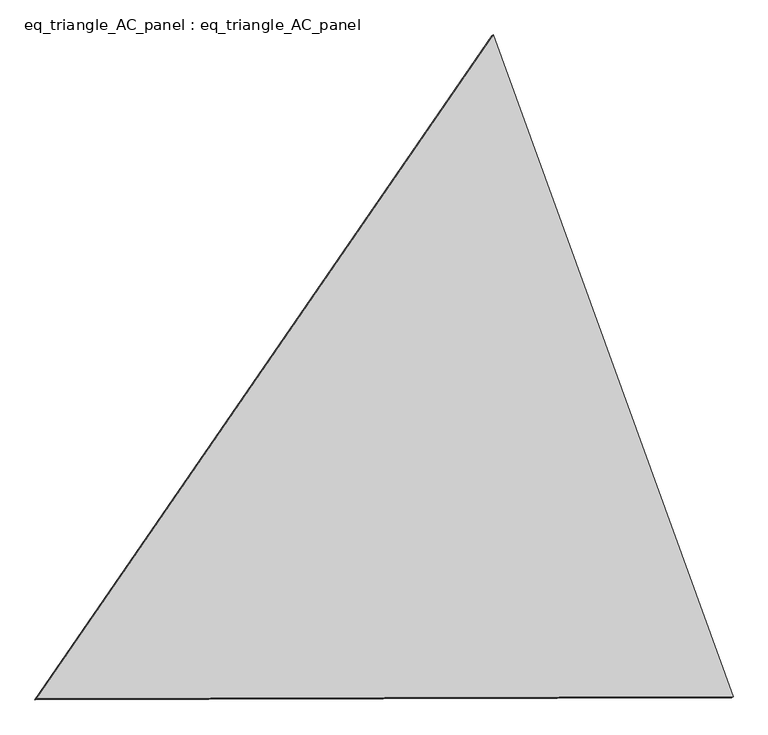
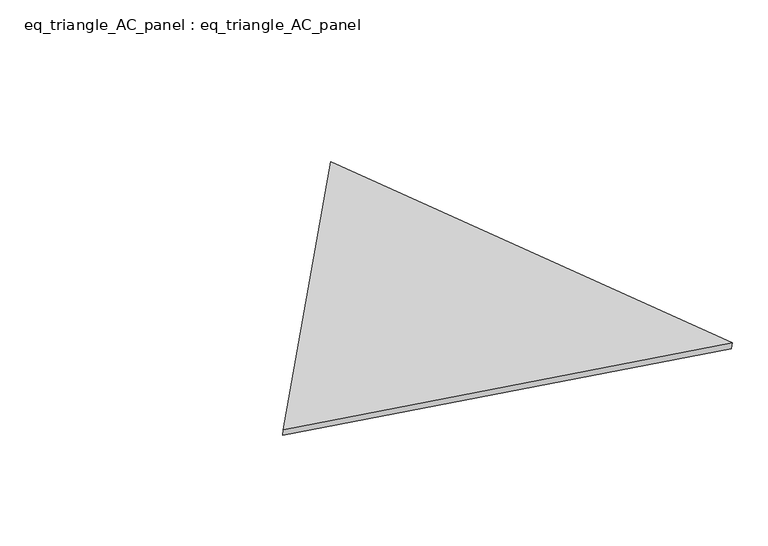
"""IFC4 building model written with IfcOpenShell, lengths in millimetres: proxy geometry, eq_triangle_AC_panel : eq_triangle_AC_panel."""

from ifc_helpers import new_model, si_unit, frame, origin, place, context, project, spatial, polyline, outline, extrude, source, transform, mapped, element, save


def eq_triangle_ac_panel_eq_triangle_ac_panel_0636ab6f(model_context):
    return source(origin(), model_context, "Body", "SweptSolid", [
        extrude(outline(polyline([(-1940.6451851, 1096.9498862), (1545.5582898, 1096.9498862), (395.0868951, -2193.8997722), (-1940.6451851, 1096.9498862)])), frame((0.0038051, 527.9290861, 89.8240019), z_axis=(0.1452632851805819, 0.08386570281802201, 0.9858321976225896), x_axis=(0.3407734768185129, -0.9396753767571837, 0.029725810556943903)), (0.0, 0.0, 1.0), 43.8306294),
    ])


if __name__ == "__main__":
    model = new_model("IFC4")
    model_context = context("Model", 3, world=origin())
    ifc_project = project(units=[si_unit("LENGTHUNIT", "METRE", prefix="MILLI")], contexts=[model_context])
    site = spatial("IfcSite", under=ifc_project)
    building = spatial("IfcBuilding", under=site)
    placement = place(None, origin())
    eq_triangle_ac_panel_eq_triangle_ac_panel_shape = eq_triangle_ac_panel_eq_triangle_ac_panel_0636ab6f(model_context)
    element("IfcBuildingElementProxy", 1, Name="eq_triangle_AC_panel : eq_triangle_AC_panel", ObjectType="eq_triangle_AC_panel : eq_triangle_AC_panel", at=placement, inside=building, context=model_context, shape_type="MappedRepresentation", body=[
        mapped(eq_triangle_ac_panel_eq_triangle_ac_panel_shape, transform((0.0, 0.0, 0.0), x_axis=(1.0, 0.0, 0.0), y_axis=(0.0, 1.0, 0.0), z_axis=(0.0, 0.0, 1.0))),
    ])
    save(model, "model.ifc")
